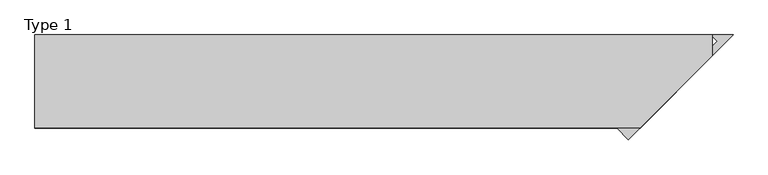
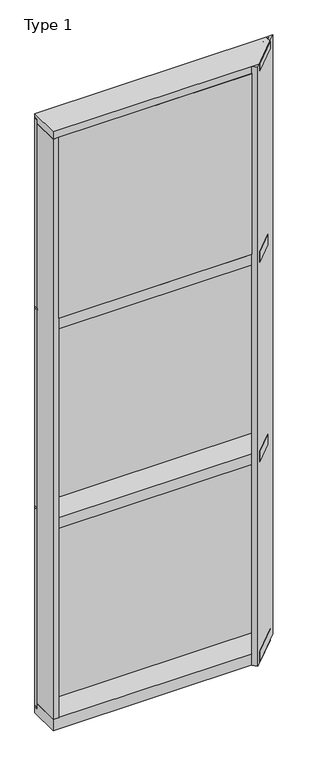
"""IFC4 building model written with IfcOpenShell, lengths in millimetres: plate geometry, Type 1."""

from ifc_helpers import new_model, si_unit, frame, origin, place, context, project, spatial, polyline, outline, extrude, faceted_brep, source, transform, mapped, element, save


def type_1_a3d251c6(model_context):
    return source(origin(), model_context, "Body", "SolidModel", [
        extrude(outline(polyline([(-635.545002, -156.32684), (-635.545002, -48.6409999), (586.9040021, -48.6409999), (479.218162, -156.32684), (-635.545002, -156.32684)])), frame((0.0, 0.0, 2470.15), z_axis=(0.0, 0.0, 1.0), x_axis=(1.0, 0.0, 0.0)), (0.0, 0.0, 1.0), 1104.9984372),
        extrude(outline(polyline([(667.295002, 27.6881517), (667.295002, 11.2982336), (654.5960912, 11.2982336), (654.5960912, 27.6881517), (667.295002, 27.6881517)])), frame((0.0, 0.0, 2444.75), z_axis=(0.0, 0.0, 1.0), x_axis=(1.0, 0.0, 0.0)), (0.0, 0.0, 1.0), 1149.35),
        extrude(outline(polyline([(-654.5960912, 27.6881517), (-654.5960912, 11.2982336), (-667.295002, 11.2982336), (-667.295002, 27.6881517), (-654.5960912, 27.6881517)])), frame((0.0, 0.0, 2444.75), z_axis=(0.0, 0.0, 1.0), x_axis=(1.0, 0.0, 0.0)), (0.0, 0.0, 1.0), 1149.35),
        extrude(outline(polyline([(654.5960912, 27.686), (654.5960912, 2.286), (-654.5960912, 2.286), (-654.5960912, 27.686), (654.5960912, 27.686)])), frame((0.0, 0.0, 2444.75), z_axis=(0.0, 0.0, 1.0), x_axis=(1.0, 0.0, 0.0)), (0.0, 0.0, 1.0), 1149.35),
        extrude(outline(polyline([(667.295002, 27.6881517), (667.295002, 11.2982336), (654.5960912, 11.2982336), (654.5960912, 27.6881517), (667.295002, 27.6881517)])), frame((0.0, 0.0, 1225.55), z_axis=(0.0, 0.0, 1.0), x_axis=(1.0, 0.0, 0.0)), (0.0, 0.0, 1.0), 1206.5),
        extrude(outline(polyline([(-654.5960912, 27.6881517), (-654.5960912, 11.2982336), (-667.295002, 11.2982336), (-667.295002, 27.6881517), (-654.5960912, 27.6881517)])), frame((0.0, 0.0, 1225.55), z_axis=(0.0, 0.0, 1.0), x_axis=(1.0, 0.0, 0.0)), (0.0, 0.0, 1.0), 1206.5),
        extrude(outline(polyline([(654.5960912, 27.686), (654.5960912, 2.286), (-654.5960912, 2.286), (-654.5960912, 27.686), (654.5960912, 27.686)])), frame((0.0, 0.0, 1225.55), z_axis=(0.0, 0.0, 1.0), x_axis=(1.0, 0.0, 0.0)), (0.0, 0.0, 1.0), 1206.5),
        extrude(outline(polyline([(667.295002, 27.686), (667.295002, 6.35), (-667.295002, 6.35), (-667.295002, 27.686), (667.295002, 27.686)])), frame((0.0, 0.0, 2432.05), z_axis=(0.0, 0.0, 1.0), x_axis=(1.0, 0.0, 0.0)), (0.0, 0.0, 1.0), 12.7),
        extrude(outline(polyline([(-667.295002, -155.9814), (-667.295002, 2.286), (-635.545002, 2.286), (-635.545002, -155.9814), (-667.295002, -155.9814)])), frame((0.0, 0.0, 31.75), z_axis=(0.0, 0.0, 1.0), x_axis=(1.0, 0.0, 0.0)), (0.0, 0.0, 1.0), 3543.3),
        extrude(outline(polyline([(667.295002, 27.6881517), (667.295002, 11.2982336), (654.5960912, 11.2982336), (654.5960912, 27.6881517), (667.295002, 27.6881517)])), frame((0.0, 0.0, 6.35), z_axis=(0.0, 0.0, 1.0), x_axis=(1.0, 0.0, 0.0)), (0.0, 0.0, 1.0), 1206.5),
        extrude(outline(polyline([(-654.5960912, 27.6881517), (-654.5960912, 11.2982336), (-667.295002, 11.2982336), (-667.295002, 27.6881517), (-654.5960912, 27.6881517)])), frame((0.0, 0.0, 6.35), z_axis=(0.0, 0.0, 1.0), x_axis=(1.0, 0.0, 0.0)), (0.0, 0.0, 1.0), 1206.5),
        extrude(outline(polyline([(654.5960912, 27.686), (654.5960912, 2.286), (-654.5960912, 2.286), (-654.5960912, 27.686), (654.5960912, 27.686)])), frame((0.0, 0.0, 6.35), z_axis=(0.0, 0.0, 1.0), x_axis=(1.0, 0.0, 0.0)), (0.0, 0.0, 1.0), 1206.5),
        extrude(outline(polyline([(667.295002, 27.686), (667.295002, 6.35), (-667.295002, 6.35), (-667.295002, 27.686), (667.295002, 27.686)])), frame((0.0, 0.0, 1212.85), z_axis=(0.0, 0.0, 1.0), x_axis=(1.0, 0.0, 0.0)), (0.0, 0.0, 1.0), 12.7),
        faceted_brep([(-667.295002, 27.686, 3619.5), (-667.295002, 27.686, 3601.4527933), (-667.295002, 2.286, 3601.4527933), (-667.295002, 2.286, 3575.6866239), (-667.295002, -155.4734, 3575.6866239), (-667.295002, -155.4734, 3619.5), (667.295002, 2.286, 3575.6866239), (667.295002, 2.286, 3601.4527933), (667.295002, 27.686, 3601.4527933), (667.295002, 27.686, 3619.5), (667.295002, -13.1523698, 3619.5), (667.295002, -13.1523698, 3575.6866239), (524.9739719, -155.4734, 3575.6866239), (524.9739719, -155.4734, 3619.5)], [[[0, 1, 2, 3, 4, 5]], [[6, 7, 8, 9, 10, 11]], [[1, 0, 9, 8]], [[2, 1, 8, 7]], [[3, 2, 7, 6]], [[4, 3, 6, 11, 12]], [[5, 4, 12, 13]], [[0, 5, 13, 10, 9]], [[11, 10, 13, 12]]]),
        extrude(outline(polyline([(-635.545002, -155.4734), (-635.545002, 2.2859999), (635.545002, 2.2859999), (635.545002, -44.9023698), (524.9739719, -155.4734), (-635.545002, -155.4734)])), frame((0.0, 0.0, 2406.65), z_axis=(0.0, 0.0, 1.0), x_axis=(1.0, 0.0, 0.0)), (0.0, 0.0, 1.0), 63.5),
        extrude(outline(polyline([(-635.545002, -155.4734), (-635.545002, 2.2859999), (635.545002, 2.2859999), (635.545002, -44.9023698), (524.9739719, -155.4734), (-635.545002, -155.4734)])), frame((0.0, 0.0, 1187.45), z_axis=(0.0, 0.0, 1.0), x_axis=(1.0, 0.0, 0.0)), (0.0, 0.0, 1.0), 63.5),
        extrude(outline(polyline([(479.5649348, -155.9811564), (635.5460912, 0.0), (635.5460912, 2.286), (664.031151, 2.286), (676.8345154, 15.0893645), (667.295002, 24.6288779), (667.295002, 27.6881517), (708.1355236, 27.6881517), (502.0155751, -178.4317967), (479.5649348, -155.9811564)])), frame((0.0, 0.0, -38.1), z_axis=(0.0, 0.0, 1.0), x_axis=(1.0, 0.0, 0.0)), (0.0, 0.0, 1.0), 3657.6),
        faceted_brep([(-667.295002, 2.2859999, 31.75), (-667.295002, 2.2859999, -6.2983857), (-667.295002, 27.6858239, -6.2983857), (-667.295002, 27.6858239, -38.1), (-667.295002, -155.6004, -38.1), (-667.295002, -155.6004, 31.75), (667.295002, 27.6858239, -38.1), (667.295002, 27.6858239, -6.2983857), (667.295002, 2.2859999, -6.2983857), (667.295002, 2.2859999, 31.75), (667.295002, -13.1523698, 31.75), (667.295002, -13.1523698, -38.1), (524.8469719, -155.6004, -38.1), (524.8469719, -155.6004, 31.75)], [[[0, 1, 2, 3, 4, 5]], [[6, 7, 8, 9, 10, 11]], [[1, 0, 9, 8]], [[2, 1, 8, 7]], [[3, 2, 7, 6]], [[4, 3, 6, 11, 12]], [[5, 4, 12, 13]], [[0, 5, 13, 10, 9]], [[11, 10, 13, 12]]]),
        extrude(outline(polyline([(-667.295002, 15.9510838), (-667.295002, 27.6859999), (667.295002, 27.6859999), (667.295002, 15.9510838), (-667.295002, 15.9510838)])), frame((0.0, 0.0, 3594.7366239), z_axis=(0.0, 0.0, 1.0), x_axis=(1.0, 0.0, 0.0)), (0.0, 0.0, 1.0), 6.7161694),
        extrude(outline(polyline([(-667.295002, 5.0946564), (-667.295002, 27.6881517), (667.295002, 27.6881517), (667.295002, 5.0946564), (-667.295002, 5.0946564)])), frame((0.0, 0.0, -6.2984797), z_axis=(0.0, 0.0, 1.0), x_axis=(1.0, 0.0, 0.0)), (0.0, 0.0, 1.0), 12.6484797),
    ])


if __name__ == "__main__":
    model = new_model("IFC4")
    model_context = context("Model", 3, world=origin())
    ifc_project = project(units=[si_unit("LENGTHUNIT", "METRE", prefix="MILLI")], contexts=[model_context])
    site = spatial("IfcSite", under=ifc_project)
    building = spatial("IfcBuilding", under=site)
    placement = place(None, origin())
    type_1_shape = type_1_a3d251c6(model_context)
    element("IfcPlate", 1, ObjectType="Type 1", at=placement, inside=building, context=model_context, shape_type="MappedRepresentation", body=[
        mapped(type_1_shape, transform((0.0, 0.0, 0.0), x_axis=(1.0, 0.0, 0.0), y_axis=(0.0, 1.0, 0.0), z_axis=(0.0, 0.0, 1.0))),
    ])
    save(model, "model.ifc")
